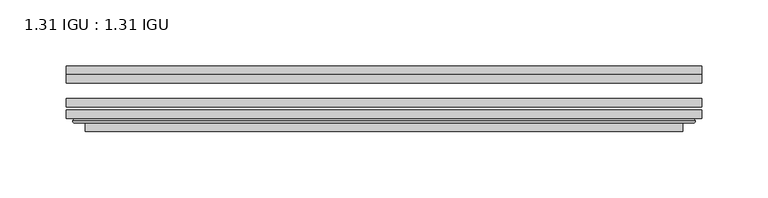
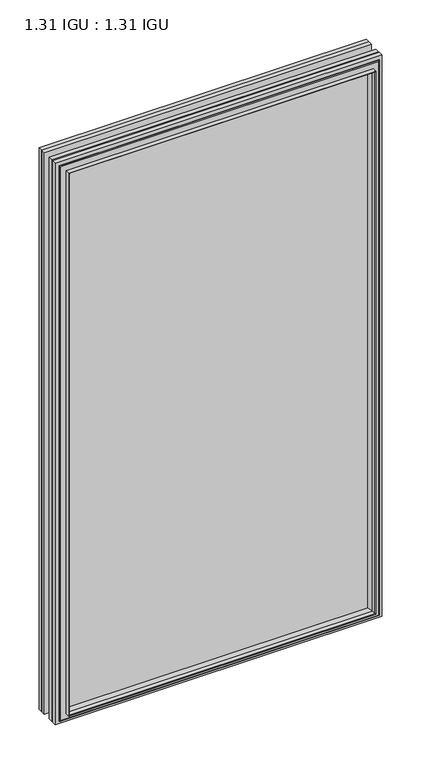
"""IFC4 building model written with IfcOpenShell, lengths in millimetres: plate geometry, 1.31 IGU : 1.31 IGU."""

from ifc_helpers import new_model, si_unit, frame, origin, place, context, project, spatial, polyline, ellipse_curve, outline, extrude, faceted_brep, source, transform, mapped, element, save
from ifc_brep_helpers import plane_surface, cylinder_surface, advanced_brep


def plate_1_31_igu_1_31_igu_eada3c20(model_context):
    return source(origin(), model_context, "Body", "SolidModel", [
        extrude(outline(polyline([(239.726675, -66.4725937), (239.726675, -72.8225938), (-239.7125, -72.8225938), (-239.7125, -66.4725937), (239.726675, -66.4725937)])), frame((0.0, 0.0, -14.2875), z_axis=(0.0, 0.0, 1.0), x_axis=(1.0, 0.0, 0.0)), (0.0, 0.0, 1.0), 869.9537979),
        extrude(outline(polyline([(-239.7125, -81.4585938), (-239.7125, -75.1080887), (239.726675, -75.1080887), (239.726675, -81.4585938), (-239.7125, -81.4585938)])), frame((0.0, 0.0, -14.2875), z_axis=(0.0, 0.0, 1.0), x_axis=(1.0, 0.0, 0.0)), (0.0, 0.0, 1.0), 869.9537979),
        extrude(outline(polyline([(239.726675, -48.1337937), (239.726675, -54.4837938), (-239.7125, -54.4837938), (-239.7125, -48.1337937), (239.726675, -48.1337937)])), frame((0.0, 0.0, -14.2875), z_axis=(0.0, 0.0, 1.0), x_axis=(1.0, 0.0, 0.0)), (0.0, 0.0, 1.0), 869.9537979),
        faceted_brep([(-225.4196902, -41.7837938, 841.3696902), (-224.5272559, -48.1337937, 840.4772559), (-224.5272559, -48.1337937, 0.8977441), (-225.4196902, -41.7837938, 0.0053098), (-239.7252, -48.1337937, 855.6752), (-239.7252, -41.7837938, 855.6752), (-239.7252, -41.7837938, -14.3002), (-239.7252, -48.1337937, -14.3002), (224.5272559, -48.1337937, 0.8977441), (225.4196902, -41.7837938, 0.0053098), (239.7252, -41.7837938, -14.3002), (239.7252, -48.1337937, -14.3002), (224.5272559, -48.1337937, 840.4772559), (225.4196902, -41.7837938, 841.3696902), (239.7252, -41.7837938, 855.6752), (239.7252, -48.1337937, 855.6752)], [[[0, 1, 2, 3]], [[4, 5, 6, 7]], [[3, 2, 8, 9]], [[7, 6, 10, 11]], [[9, 8, 12, 13]], [[11, 10, 14, 15]], [[7, 11, 15, 4], [1, 12, 8, 2]], [[13, 12, 1, 0]], [[5, 14, 10, 6], [3, 9, 13, 0]], [[15, 14, 5, 4]]]),
        advanced_brep(
        [(-233.8236349, -84.6335938, 849.7736349), (-234.8254244, -83.4482604, 850.7754244), (-234.8254244, -83.4482604, -9.4004244), (-233.8236349, -84.6335938, -8.3986349), (-225.4195784, -91.0948368, 841.3695784), (-225.4195784, -84.6335938, 841.3695784), (-225.4195784, -84.6335938, 0.0054216), (-225.4195784, -91.0948368, 0.0054216), (-224.4289217, -90.6958619, 840.3789217), (-224.4289217, -90.6958619, 0.9960783), (-223.3968939, -85.2986307, 839.3468939), (-223.3968939, -85.2986307, 2.0281061), (-218.4620621, -81.4585938, 834.4120621), (-218.4620621, -81.4585938, 6.9629379), (-232.471219, -81.4585938, 848.421219), (-232.471219, -81.4585938, -7.046219), (234.8254244, -83.4482604, -9.4004244), (233.8236349, -84.6335938, -8.3986349), (225.4195784, -84.6335938, 0.0054216), (225.4195784, -91.0948368, 0.0054216), (224.4289217, -90.6958619, 0.9960783), (223.3968939, -85.2986307, 2.0281061), (218.4620621, -81.4585938, 6.9629379), (232.471219, -81.4585938, -7.046219), (234.8254244, -83.4482604, 850.7754244), (233.8236349, -84.6335938, 849.7736349), (225.4195784, -84.6335938, 841.3695784), (225.4195784, -91.0948368, 841.3695784), (224.4289217, -90.6958619, 840.3789217), (223.3968939, -85.2986307, 839.3468939), (218.4620621, -81.4585938, 834.4120621), (232.471219, -81.4585938, 848.421219)],
        [
            (0, 1, ellipse_curve(frame((-233.8236349, -83.6175938, 849.7736349), z_axis=(-0.7071067811865475, 0.0, -0.7071067811865475), x_axis=(-0.7071067811865474, 0.0, 0.7071067811865476)), 1.436841, 1.016)),
            (1, 2),
            (2, 3, ellipse_curve(frame((-233.8236349, -83.6175938, -8.3986349), z_axis=(-0.7071067811865475, 0.0, 0.7071067811865475), x_axis=(0.7071067811865474, 0.0, 0.7071067811865476)), 1.436841, 1.016)),
            (3, 0),
            (4, 5),
            (5, 6),
            (6, 7),
            (7, 4),
            (8, 4, ellipse_curve(frame((-225.0526219, -90.5766015, 841.0026219), z_axis=(-0.7071067811865475, 0.0, -0.7071067811865475), x_axis=(-0.7071067811865474, 0.0, 0.7071067811865476)), 0.8980256, 0.635)),
            (7, 9, ellipse_curve(frame((-225.0526219, -90.5766015, 0.3723781), z_axis=(-0.7071067811865475, 0.0, 0.7071067811865475), x_axis=(0.7071067811865474, 0.0, 0.7071067811865476)), 0.8980256, 0.635)),
            (9, 8),
            (10, 8),
            (9, 11),
            (11, 10),
            (12, 10),
            (11, 13),
            (13, 12),
            (1, 14, ellipse_curve(frame((-232.471219, -83.8461938, 848.421219), z_axis=(-0.7071067811865475, 0.0, -0.7071067811865475), x_axis=(-0.7071067811865474, 0.0, 0.7071067811865476)), 3.3765763, 2.3876)),
            (14, 15),
            (15, 2, ellipse_curve(frame((-232.471219, -83.8461938, -7.046219), z_axis=(-0.7071067811865475, 0.0, 0.7071067811865475), x_axis=(0.7071067811865474, 0.0, 0.7071067811865476)), 3.3765763, 2.3876)),
            (2, 16),
            (16, 17, ellipse_curve(frame((233.8236349, -83.6175938, -8.3986349), z_axis=(-0.7071067811865475, 0.0, -0.7071067811865475), x_axis=(-0.7071067811865476, 0.0, 0.7071067811865474)), 1.436841, 1.016)),
            (17, 3),
            (6, 18),
            (18, 19),
            (19, 7),
            (19, 20, ellipse_curve(frame((225.0526219, -90.5766015, 0.3723781), z_axis=(-0.7071067811865475, 0.0, -0.7071067811865475), x_axis=(-0.7071067811865476, 0.0, 0.7071067811865474)), 0.8980256, 0.635)),
            (20, 9),
            (20, 21),
            (21, 11),
            (21, 22),
            (22, 13),
            (15, 23),
            (23, 16, ellipse_curve(frame((232.471219, -83.8461938, -7.046219), z_axis=(-0.7071067811865475, 0.0, -0.7071067811865475), x_axis=(-0.7071067811865476, 0.0, 0.7071067811865474)), 3.3765763, 2.3876)),
            (16, 24),
            (24, 25, ellipse_curve(frame((233.8236349, -83.6175938, 849.7736349), z_axis=(0.7071067811865475, 0.0, -0.7071067811865475), x_axis=(-0.7071067811865474, 0.0, -0.7071067811865476)), 1.436841, 1.016)),
            (25, 17),
            (18, 26),
            (26, 27),
            (27, 19),
            (27, 28, ellipse_curve(frame((225.0526219, -90.5766015, 841.0026219), z_axis=(0.7071067811865475, 0.0, -0.7071067811865475), x_axis=(-0.7071067811865474, 0.0, -0.7071067811865476)), 0.8980256, 0.635)),
            (28, 20),
            (28, 29),
            (29, 21),
            (29, 30),
            (30, 22),
            (23, 31),
            (31, 24, ellipse_curve(frame((232.471219, -83.8461938, 848.421219), z_axis=(0.7071067811865475, 0.0, -0.7071067811865475), x_axis=(-0.7071067811865474, 0.0, -0.7071067811865476)), 3.3765763, 2.3876)),
            (24, 1),
            (0, 25),
            (5, 26),
            (4, 27),
            (8, 28),
            (10, 29),
            (12, 30),
            (14, 31),
        ],
        [
            cylinder_surface(frame((-233.8236349, -83.6175938, 873.125), z_axis=(0.0, 0.0, 1.0), x_axis=(-1.0, 0.0, 0.0)), 1.016),
            plane_surface(frame((-225.4195784, -84.6335938, 841.3695784), z_axis=(-1.0, 0.0, 0.0), x_axis=(0.0, 0.0, -1.0))),
            cylinder_surface(frame((-225.0526219, -90.5766015, 873.125), z_axis=(0.0, 0.0, 1.0), x_axis=(-1.0, 0.0, 0.0)), 0.635),
            plane_surface(frame((-224.4289217, -90.6958619, 840.3789217), z_axis=(0.9822050625507717, -0.1878116479338675, 0.0), x_axis=(0.0, 0.0, -1.0))),
            plane_surface(frame((-223.3968939, -85.2986307, 839.3468939), z_axis=(0.6141233906514726, -0.7892100234124875, 0.0), x_axis=(0.0, 0.0, -1.0))),
            cylinder_surface(frame((-232.471219, -83.8461938, 873.125), z_axis=(0.0, 0.0, 1.0), x_axis=(-1.0, 0.0, 0.0)), 2.3876),
            cylinder_surface(frame((-257.175, -83.6175938, -8.3986349), z_axis=(-1.0, 0.0, 0.0), x_axis=(0.0, 0.0, -1.0)), 1.016),
            plane_surface(frame((-225.4195784, -84.6335938, 0.0054216), z_axis=(0.0, 0.0, -1.0), x_axis=(1.0, 0.0, 0.0))),
            cylinder_surface(frame((-257.175, -90.5766015, 0.3723781), z_axis=(-1.0, 0.0, 0.0), x_axis=(0.0, 0.0, -1.0)), 0.635),
            plane_surface(frame((-224.4289217, -90.6958619, 0.9960783), z_axis=(0.0, -0.18781164793386435, 0.9822050625507722), x_axis=(1.0, 0.0, 0.0))),
            plane_surface(frame((-223.3968939, -85.2986307, 2.0281061), z_axis=(0.0, -0.7892100234124855, 0.6141233906514751), x_axis=(1.0, 0.0, 0.0))),
            cylinder_surface(frame((-257.175, -83.8461938, -7.046219), z_axis=(-1.0, 0.0, 0.0), x_axis=(0.0, 0.0, -1.0)), 2.3876),
            cylinder_surface(frame((233.8236349, -83.6175938, -31.75), z_axis=(0.0, 0.0, -1.0), x_axis=(1.0, 0.0, 0.0)), 1.016),
            plane_surface(frame((225.4195784, -84.6335938, 0.0054216), z_axis=(1.0, 0.0, 0.0), x_axis=(0.0, 0.0, 1.0))),
            cylinder_surface(frame((225.0526219, -90.5766015, -31.75), z_axis=(0.0, 0.0, -1.0), x_axis=(1.0, 0.0, 0.0)), 0.635),
            plane_surface(frame((224.4289217, -90.6958619, 0.9960783), z_axis=(-0.9822050625507728, -0.18781164793386118, 0.0), x_axis=(0.0, 0.0, 1.0))),
            plane_surface(frame((223.3968939, -85.2986307, 2.0281061), z_axis=(-0.6141233906514777, -0.7892100234124835, 0.0), x_axis=(0.0, 0.0, 1.0))),
            cylinder_surface(frame((232.471219, -83.8461938, -31.75), z_axis=(0.0, 0.0, -1.0), x_axis=(1.0, 0.0, 0.0)), 2.3876),
            cylinder_surface(frame((257.175, -83.6175938, 849.7736349), z_axis=(1.0, 0.0, 0.0), x_axis=(0.0, 0.0, 1.0)), 1.016),
            plane_surface(frame((233.8236349, -84.6335938, 849.7736349), z_axis=(0.0, -1.0, 0.0), x_axis=(-1.0, 0.0, 0.0))),
            plane_surface(frame((225.4195784, -84.6335938, 841.3695784), z_axis=(0.0, 0.0, 1.0), x_axis=(-1.0, 0.0, 0.0))),
            cylinder_surface(frame((257.175, -90.5766015, 841.0026219), z_axis=(1.0, 0.0, 0.0), x_axis=(0.0, 0.0, 1.0)), 0.635),
            plane_surface(frame((224.4289217, -90.6958619, 840.3789217), z_axis=(0.0, -0.18781164793386435, -0.9822050625507722), x_axis=(-1.0, 0.0, 0.0))),
            plane_surface(frame((223.3968939, -85.2986307, 839.3468939), z_axis=(0.0, -0.7892100234124855, -0.6141233906514751), x_axis=(-1.0, 0.0, 0.0))),
            plane_surface(frame((218.4620621, -81.4585938, 834.4120621), z_axis=(0.0, 1.0, 0.0), x_axis=(-1.0, 0.0, 0.0))),
            cylinder_surface(frame((257.175, -83.8461938, 848.421219), z_axis=(1.0, 0.0, 0.0), x_axis=(0.0, 0.0, 1.0)), 2.3876),
        ],
        [
            (0, [[1, 2, 3, 4]]),
            (1, [[5, 6, 7, 8]]),
            (2, [[9, -8, 10, 11]]),
            (3, [[12, -11, 13, 14]]),
            (4, [[15, -14, 16, 17]]),
            (5, [[18, 19, 20, -2]]),
            (6, [[-3, 21, 22, 23]]),
            (7, [[-7, 24, 25, 26]]),
            (8, [[-10, -26, 27, 28]]),
            (9, [[-13, -28, 29, 30]]),
            (10, [[-16, -30, 31, 32]]),
            (11, [[-20, 33, 34, -21]]),
            (12, [[-22, 35, 36, 37]]),
            (13, [[-25, 38, 39, 40]]),
            (14, [[-27, -40, 41, 42]]),
            (15, [[-29, -42, 43, 44]]),
            (16, [[-31, -44, 45, 46]]),
            (17, [[-34, 47, 48, -35]]),
            (18, [[-36, 49, -1, 50]]),
            (19, [[-23, -37, -50, -4], [51, -38, -24, -6]]),
            (20, [[-39, -51, -5, 52]]),
            (21, [[-41, -52, -9, 53]]),
            (22, [[-43, -53, -12, 54]]),
            (23, [[-45, -54, -15, 55]]),
            (24, [[56, -47, -33, -19], [-32, -46, -55, -17]]),
            (25, [[-48, -56, -18, -49]]),
        ],
    ),
    ])


if __name__ == "__main__":
    model = new_model("IFC4")
    model_context = context("Model", 3, world=origin())
    ifc_project = project(units=[si_unit("LENGTHUNIT", "METRE", prefix="MILLI")], contexts=[model_context])
    site = spatial("IfcSite", under=ifc_project)
    building = spatial("IfcBuilding", under=site)
    placement = place(None, origin())
    plate_1_31_igu_1_31_igu_shape = plate_1_31_igu_1_31_igu_eada3c20(model_context)
    element("IfcPlate", 1, ObjectType="1.31 IGU : 1.31 IGU", at=placement, inside=building, context=model_context, shape_type="MappedRepresentation", body=[
        mapped(plate_1_31_igu_1_31_igu_shape, transform((0.0, 0.0, 0.0), x_axis=(1.0, 0.0, 0.0), y_axis=(0.0, 1.0, 0.0), z_axis=(0.0, 0.0, 1.0))),
    ])
    save(model, "model.ifc")
